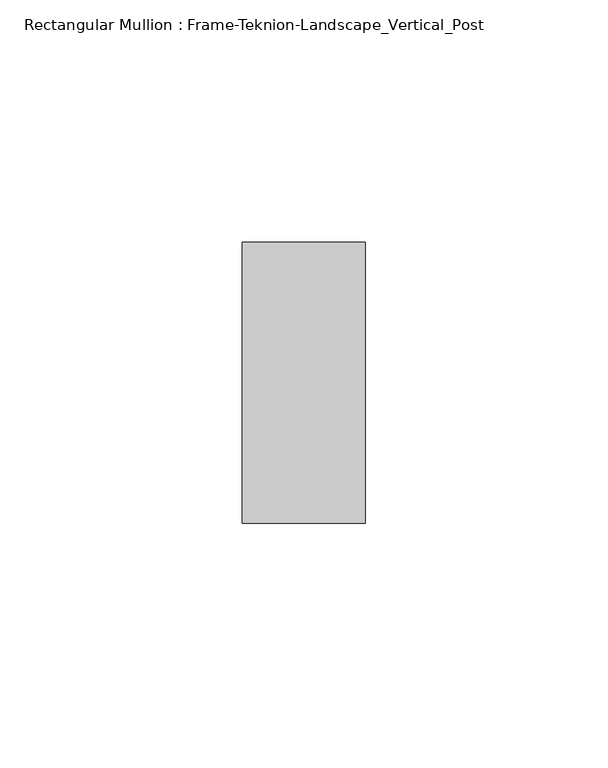
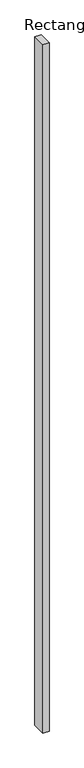
"""IFC4 building model written with IfcOpenShell, lengths in millimetres: member geometry, Rectangular Mullion : Frame-Teknion-Landscape_Vertical_Post."""

import ifcopenshell
import ifcopenshell.guid

model = None  # the IFC model being written
_history = None  # IfcOwnerHistory: only IFC2X3 demands one
_inside = {}  # id of a spatial element -> (the spatial element, [elements in it])
_under = {}  # id of a project, library or spatial element -> (it, [spatial elements below it])
_declared = {}  # id of a project -> (the project, [libraries it declares])
_typed = {}  # id of a type object -> (the type object, [elements of that type])
_made_of = {}  # id of a material, layer set ... -> (it, [elements and type objects made of it])


def new_model(schema):
    """Start an empty IFC model of exactly this schema.

    Asked for "IFC4X3", IfcOpenShell would pick the latest addendum, in which some entities
    have other attributes; the version numbers below select the first issue.
    IFC2X3 requires an IfcOwnerHistory on every rooted entity: one is made here for all.
    """
    global model, _history
    if schema == "IFC4X3":
        model = ifcopenshell.file(schema_version=(4, 3, 0, 0))
    else:
        model = ifcopenshell.file(schema=schema)
    _inside.clear()
    _under.clear()
    _declared.clear()
    _typed.clear()
    _made_of.clear()
    _history = None
    if model.schema == "IFC2X3":
        org = make("IfcOrganization", Name="unknown")
        user = make(
            "IfcPersonAndOrganization",
            ThePerson=make("IfcPerson", FamilyName="unknown"),
            TheOrganization=org,
        )
        app = make(
            "IfcApplication",
            ApplicationDeveloper=org,
            Version="unknown",
            ApplicationFullName="unknown",
            ApplicationIdentifier="unknown",
        )
        _history = make(
            "IfcOwnerHistory",
            OwningUser=user,
            OwningApplication=app,
            ChangeAction="ADDED",
            CreationDate=0,
        )
    return model


def make(cls, **values):
    """One entity of the class cls with the attributes given. An attribute that is None is left unset."""
    return model.create_entity(
        cls, **{name: value for name, value in values.items() if value is not None}
    )


def rooted(cls, **values):
    """An entity with a GlobalId (a new one), such as an element, a storey or a relation."""
    return make(cls, GlobalId=ifcopenshell.guid.new(), OwnerHistory=_history, **values)


def si_unit(unit_type, name, prefix=None):
    """IfcSIUnit, for example si_unit("LENGTHUNIT", "METRE", prefix="MILLI")."""
    return make("IfcSIUnit", UnitType=unit_type, Prefix=prefix, Name=name)


def assignment(units):
    """IfcUnitAssignment: the units of a project."""
    return None if units is None else make("IfcUnitAssignment", Units=units)


def point(xyz):
    """IfcCartesianPoint."""
    return None if xyz is None else make("IfcCartesianPoint", Coordinates=xyz)


def direction(xyz):
    """IfcDirection."""
    return None if xyz is None else make("IfcDirection", DirectionRatios=xyz)


def frame(location, z_axis=None, x_axis=None):
    """IfcAxis2Placement3D, a coordinate frame: its origin and axes. An axis left out is left unset."""
    return make(
        "IfcAxis2Placement3D",
        Location=point(location),
        Axis=direction(z_axis),
        RefDirection=direction(x_axis),
    )


def origin():
    """The frame at (0, 0, 0) with its axes left unset."""
    return frame((0.0, 0.0, 0.0))


def place(relative_to, where):
    """IfcLocalPlacement: puts the frame where relative to a parent placement (None: the world)."""
    return make(
        "IfcLocalPlacement", PlacementRelTo=relative_to, RelativePlacement=where
    )


def context(
    kind, dimensions, precision=None, world=None, true_north=None, identifier=None
):
    """IfcGeometricRepresentationContext, for example the 3D "Model" context."""
    return make(
        "IfcGeometricRepresentationContext",
        ContextIdentifier=identifier,
        ContextType=kind,
        CoordinateSpaceDimension=dimensions,
        Precision=precision,
        WorldCoordinateSystem=world,
        TrueNorth=true_north,
    )


def project(units=None, contexts=None):
    """IfcProject with its units and contexts."""
    return rooted(
        "IfcProject",
        Name="project",
        RepresentationContexts=contexts,
        UnitsInContext=assignment(units),
    )


def spatial(cls, under=None, at=None, **own):
    """A site, building, storey or space (cls), placed at a placement, below another one or the project."""
    s = rooted(cls, ObjectPlacement=at, **own)
    if under is not None:
        _under.setdefault(under.id(), (under, []))[1].append(s)
    return s


def polyline(points):
    """IfcPolyline through the points."""
    return make("IfcPolyline", Points=[point(p) for p in points])


def outline(outer, holes=None, kind="AREA"):
    """IfcArbitraryClosedProfileDef: a profile drawn as a closed curve; with holes, ...WithVoids."""
    if holes is None:
        return make("IfcArbitraryClosedProfileDef", ProfileType=kind, OuterCurve=outer)
    return make(
        "IfcArbitraryProfileDefWithVoids",
        ProfileType=kind,
        OuterCurve=outer,
        InnerCurves=holes,
    )


def extrude(swept, where, along, depth):
    """IfcExtrudedAreaSolid: the profile swept, set in the frame where, extruded along a direction by depth."""
    return make(
        "IfcExtrudedAreaSolid",
        SweptArea=swept,
        Position=where,
        ExtrudedDirection=direction(along),
        Depth=depth,
    )


def shape(context_of_items, identifier, shape_type, items):
    """IfcShapeRepresentation: the items that make up one representation, for example the "Body"."""
    return make(
        "IfcShapeRepresentation",
        ContextOfItems=context_of_items,
        RepresentationIdentifier=identifier,
        RepresentationType=shape_type,
        Items=items,
    )


def source(mapping_origin, context_of_items, identifier, shape_type, items):
    """IfcRepresentationMap: a shape defined once, which mapped items show again and again."""
    return make(
        "IfcRepresentationMap",
        MappingOrigin=mapping_origin,
        MappedRepresentation=shape(context_of_items, identifier, shape_type, items),
    )


def transform(
    local_origin,
    x_axis=None,
    y_axis=None,
    z_axis=None,
    scale=None,
    scale2=None,
    scale3=None,
    uniform=True,
):
    """IfcCartesianTransformationOperator3D, or its non-uniform kind. x_axis, y_axis, z_axis: its Axis1, 2, 3."""
    if uniform:
        return make(
            "IfcCartesianTransformationOperator3D",
            Axis1=direction(x_axis),
            Axis2=direction(y_axis),
            LocalOrigin=point(local_origin),
            Scale=scale,
            Axis3=direction(z_axis),
        )
    return make(
        "IfcCartesianTransformationOperator3DnonUniform",
        Axis1=direction(x_axis),
        Axis2=direction(y_axis),
        LocalOrigin=point(local_origin),
        Scale=scale,
        Axis3=direction(z_axis),
        Scale2=scale2,
        Scale3=scale3,
    )


def mapped(mapping_source, mapping_target):
    """IfcMappedItem: shows the shape of a source again, moved by a transform."""
    return make(
        "IfcMappedItem", MappingSource=mapping_source, MappingTarget=mapping_target
    )


def made_of(thing, what):
    """Note that an element or type object is made of a material, layer set ...; save() writes the relation."""
    if what is not None:
        _made_of.setdefault(what.id(), (what, []))[1].append(thing)
    return thing


def element(
    cls,
    number,
    at=None,
    inside=None,
    cuts=None,
    type_object=None,
    material=None,
    context=None,
    identifier="Body",
    shape_type=None,
    held_by="IfcProductDefinitionShape",
    body=None,
    shapes=None,
    **own,
):
    """One element of the class cls, such as IfcWall. Its Tag is "e" and its number.

    at: its placement. inside: the storey or other place that contains it. cuts: it is an
    opening in that element (IfcRelVoidsElement). A single representation is given by context,
    identifier, shape_type and body (its items); several are given by shapes. held_by: the class
    of the entity that holds the representations. save() writes the other relations.
    """
    e = rooted(cls, Tag="e%d" % number, ObjectPlacement=at, **own)
    if body is not None:
        shapes = [shape(context, identifier, shape_type, body)]
    if shapes is not None:
        e.Representation = make(held_by, Representations=shapes)
    if inside is not None:
        _inside.setdefault(inside.id(), (inside, []))[1].append(e)
    if cuts is not None:
        rooted(
            "IfcRelVoidsElement", RelatingBuildingElement=cuts, RelatedOpeningElement=e
        )
    if type_object is not None:
        _typed.setdefault(type_object.id(), (type_object, []))[1].append(e)
    return made_of(e, material)


def aggregate(whole, parts):
    """IfcRelAggregates: a whole, such as a stair, and the parts it consists of."""
    return rooted("IfcRelAggregates", RelatingObject=whole, RelatedObjects=parts)


def save(model, path):
    """Write the relations noted so far, then the file.

    IfcRelAggregates (storeys below a building ...), IfcRelContainedInSpatialStructure (elements
    in a storey), IfcRelDefinesByType, IfcRelAssociatesMaterial and IfcRelDeclares: one each for
    every whole, place, type object, material and project.
    """
    for whole, parts in _under.values():
        aggregate(whole, parts)
    for where, things in _inside.values():
        rooted(
            "IfcRelContainedInSpatialStructure",
            RelatedElements=things,
            RelatingStructure=where,
        )
    for kind, things in _typed.values():
        rooted("IfcRelDefinesByType", RelatedObjects=things, RelatingType=kind)
    for what, things in _made_of.values():
        rooted("IfcRelAssociatesMaterial", RelatedObjects=things, RelatingMaterial=what)
    for by, libraries in _declared.values():
        rooted("IfcRelDeclares", RelatingContext=by, RelatedDefinitions=libraries)
    model.write(path)


def rectangular_mullion_frame_teknion_landscape_vertical_post_4aa6d5a2(model_context):
    return source(origin(), model_context, "Body", "SweptSolid", [
        extrude(outline(polyline([(12.7, 28.971875), (12.7, -28.971875), (-12.7, -28.971875), (-12.7, 28.971875), (12.7, 28.971875)])), frame((0.0, 0.0, -3021.5078001), z_axis=(0.0, 0.0, 1.0), x_axis=(1.0, 0.0, 0.0)), (0.0, 0.0, 1.0), 3021.5078001),
    ])


if __name__ == "__main__":
    model = new_model("IFC4")
    model_context = context("Model", 3, world=origin())
    ifc_project = project(units=[si_unit("LENGTHUNIT", "METRE", prefix="MILLI")], contexts=[model_context])
    site = spatial("IfcSite", under=ifc_project)
    building = spatial("IfcBuilding", under=site)
    placement = place(None, origin())
    rectangular_mullion_frame_teknion_landscape_vertical_post_shape = rectangular_mullion_frame_teknion_landscape_vertical_post_4aa6d5a2(model_context)
    element("IfcMember", 1, ObjectType="Rectangular Mullion : Frame-Teknion-Landscape_Vertical_Post", at=placement, inside=building, context=model_context, shape_type="MappedRepresentation", body=[
        mapped(rectangular_mullion_frame_teknion_landscape_vertical_post_shape, transform((0.0, 0.0, 0.0), x_axis=(1.0, 0.0, 0.0), y_axis=(0.0, 1.0, 0.0), z_axis=(0.0, 0.0, 1.0))),
    ])
    save(model, "model.ifc")
